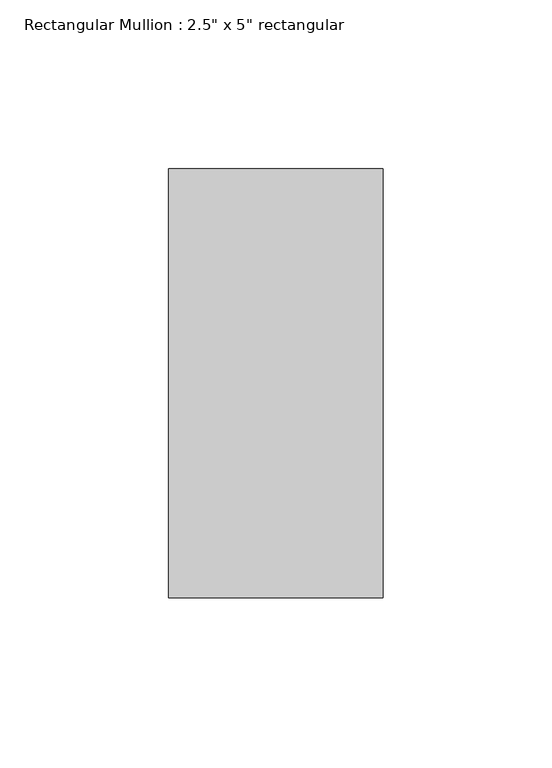
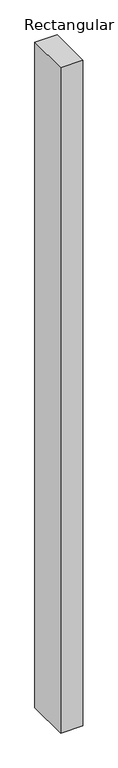
"""IFC4 building model written with IfcOpenShell, lengths in millimetres: member geometry."""

import ifcopenshell
import ifcopenshell.guid

model = None  # the IFC model being written
_history = None  # IfcOwnerHistory: only IFC2X3 demands one
_inside = {}  # id of a spatial element -> (the spatial element, [elements in it])
_under = {}  # id of a project, library or spatial element -> (it, [spatial elements below it])
_declared = {}  # id of a project -> (the project, [libraries it declares])
_typed = {}  # id of a type object -> (the type object, [elements of that type])
_made_of = {}  # id of a material, layer set ... -> (it, [elements and type objects made of it])


def new_model(schema):
    """Start an empty IFC model of exactly this schema.

    Asked for "IFC4X3", IfcOpenShell would pick the latest addendum, in which some entities
    have other attributes; the version numbers below select the first issue.
    IFC2X3 requires an IfcOwnerHistory on every rooted entity: one is made here for all.
    """
    global model, _history
    if schema == "IFC4X3":
        model = ifcopenshell.file(schema_version=(4, 3, 0, 0))
    else:
        model = ifcopenshell.file(schema=schema)
    _inside.clear()
    _under.clear()
    _declared.clear()
    _typed.clear()
    _made_of.clear()
    _history = None
    if model.schema == "IFC2X3":
        org = make("IfcOrganization", Name="unknown")
        user = make(
            "IfcPersonAndOrganization",
            ThePerson=make("IfcPerson", FamilyName="unknown"),
            TheOrganization=org,
        )
        app = make(
            "IfcApplication",
            ApplicationDeveloper=org,
            Version="unknown",
            ApplicationFullName="unknown",
            ApplicationIdentifier="unknown",
        )
        _history = make(
            "IfcOwnerHistory",
            OwningUser=user,
            OwningApplication=app,
            ChangeAction="ADDED",
            CreationDate=0,
        )
    return model


def make(cls, **values):
    """One entity of the class cls with the attributes given. An attribute that is None is left unset."""
    return model.create_entity(
        cls, **{name: value for name, value in values.items() if value is not None}
    )


def rooted(cls, **values):
    """An entity with a GlobalId (a new one), such as an element, a storey or a relation."""
    return make(cls, GlobalId=ifcopenshell.guid.new(), OwnerHistory=_history, **values)


def si_unit(unit_type, name, prefix=None):
    """IfcSIUnit, for example si_unit("LENGTHUNIT", "METRE", prefix="MILLI")."""
    return make("IfcSIUnit", UnitType=unit_type, Prefix=prefix, Name=name)


def assignment(units):
    """IfcUnitAssignment: the units of a project."""
    return None if units is None else make("IfcUnitAssignment", Units=units)


def point(xyz):
    """IfcCartesianPoint."""
    return None if xyz is None else make("IfcCartesianPoint", Coordinates=xyz)


def direction(xyz):
    """IfcDirection."""
    return None if xyz is None else make("IfcDirection", DirectionRatios=xyz)


def frame(location, z_axis=None, x_axis=None):
    """IfcAxis2Placement3D, a coordinate frame: its origin and axes. An axis left out is left unset."""
    return make(
        "IfcAxis2Placement3D",
        Location=point(location),
        Axis=direction(z_axis),
        RefDirection=direction(x_axis),
    )


def origin():
    """The frame at (0, 0, 0) with its axes left unset."""
    return frame((0.0, 0.0, 0.0))


def place(relative_to, where):
    """IfcLocalPlacement: puts the frame where relative to a parent placement (None: the world)."""
    return make(
        "IfcLocalPlacement", PlacementRelTo=relative_to, RelativePlacement=where
    )


def context(
    kind, dimensions, precision=None, world=None, true_north=None, identifier=None
):
    """IfcGeometricRepresentationContext, for example the 3D "Model" context."""
    return make(
        "IfcGeometricRepresentationContext",
        ContextIdentifier=identifier,
        ContextType=kind,
        CoordinateSpaceDimension=dimensions,
        Precision=precision,
        WorldCoordinateSystem=world,
        TrueNorth=true_north,
    )


def project(units=None, contexts=None):
    """IfcProject with its units and contexts."""
    return rooted(
        "IfcProject",
        Name="project",
        RepresentationContexts=contexts,
        UnitsInContext=assignment(units),
    )


def spatial(cls, under=None, at=None, **own):
    """A site, building, storey or space (cls), placed at a placement, below another one or the project."""
    s = rooted(cls, ObjectPlacement=at, **own)
    if under is not None:
        _under.setdefault(under.id(), (under, []))[1].append(s)
    return s


def polyline(points):
    """IfcPolyline through the points."""
    return make("IfcPolyline", Points=[point(p) for p in points])


def outline(outer, holes=None, kind="AREA"):
    """IfcArbitraryClosedProfileDef: a profile drawn as a closed curve; with holes, ...WithVoids."""
    if holes is None:
        return make("IfcArbitraryClosedProfileDef", ProfileType=kind, OuterCurve=outer)
    return make(
        "IfcArbitraryProfileDefWithVoids",
        ProfileType=kind,
        OuterCurve=outer,
        InnerCurves=holes,
    )


def extrude(swept, where, along, depth):
    """IfcExtrudedAreaSolid: the profile swept, set in the frame where, extruded along a direction by depth."""
    return make(
        "IfcExtrudedAreaSolid",
        SweptArea=swept,
        Position=where,
        ExtrudedDirection=direction(along),
        Depth=depth,
    )


def shape(context_of_items, identifier, shape_type, items):
    """IfcShapeRepresentation: the items that make up one representation, for example the "Body"."""
    return make(
        "IfcShapeRepresentation",
        ContextOfItems=context_of_items,
        RepresentationIdentifier=identifier,
        RepresentationType=shape_type,
        Items=items,
    )


def source(mapping_origin, context_of_items, identifier, shape_type, items):
    """IfcRepresentationMap: a shape defined once, which mapped items show again and again."""
    return make(
        "IfcRepresentationMap",
        MappingOrigin=mapping_origin,
        MappedRepresentation=shape(context_of_items, identifier, shape_type, items),
    )


def transform(
    local_origin,
    x_axis=None,
    y_axis=None,
    z_axis=None,
    scale=None,
    scale2=None,
    scale3=None,
    uniform=True,
):
    """IfcCartesianTransformationOperator3D, or its non-uniform kind. x_axis, y_axis, z_axis: its Axis1, 2, 3."""
    if uniform:
        return make(
            "IfcCartesianTransformationOperator3D",
            Axis1=direction(x_axis),
            Axis2=direction(y_axis),
            LocalOrigin=point(local_origin),
            Scale=scale,
            Axis3=direction(z_axis),
        )
    return make(
        "IfcCartesianTransformationOperator3DnonUniform",
        Axis1=direction(x_axis),
        Axis2=direction(y_axis),
        LocalOrigin=point(local_origin),
        Scale=scale,
        Axis3=direction(z_axis),
        Scale2=scale2,
        Scale3=scale3,
    )


def mapped(mapping_source, mapping_target):
    """IfcMappedItem: shows the shape of a source again, moved by a transform."""
    return make(
        "IfcMappedItem", MappingSource=mapping_source, MappingTarget=mapping_target
    )


def made_of(thing, what):
    """Note that an element or type object is made of a material, layer set ...; save() writes the relation."""
    if what is not None:
        _made_of.setdefault(what.id(), (what, []))[1].append(thing)
    return thing


def element(
    cls,
    number,
    at=None,
    inside=None,
    cuts=None,
    type_object=None,
    material=None,
    context=None,
    identifier="Body",
    shape_type=None,
    held_by="IfcProductDefinitionShape",
    body=None,
    shapes=None,
    **own,
):
    """One element of the class cls, such as IfcWall. Its Tag is "e" and its number.

    at: its placement. inside: the storey or other place that contains it. cuts: it is an
    opening in that element (IfcRelVoidsElement). A single representation is given by context,
    identifier, shape_type and body (its items); several are given by shapes. held_by: the class
    of the entity that holds the representations. save() writes the other relations.
    """
    e = rooted(cls, Tag="e%d" % number, ObjectPlacement=at, **own)
    if body is not None:
        shapes = [shape(context, identifier, shape_type, body)]
    if shapes is not None:
        e.Representation = make(held_by, Representations=shapes)
    if inside is not None:
        _inside.setdefault(inside.id(), (inside, []))[1].append(e)
    if cuts is not None:
        rooted(
            "IfcRelVoidsElement", RelatingBuildingElement=cuts, RelatedOpeningElement=e
        )
    if type_object is not None:
        _typed.setdefault(type_object.id(), (type_object, []))[1].append(e)
    return made_of(e, material)


def aggregate(whole, parts):
    """IfcRelAggregates: a whole, such as a stair, and the parts it consists of."""
    return rooted("IfcRelAggregates", RelatingObject=whole, RelatedObjects=parts)


def save(model, path):
    """Write the relations noted so far, then the file.

    IfcRelAggregates (storeys below a building ...), IfcRelContainedInSpatialStructure (elements
    in a storey), IfcRelDefinesByType, IfcRelAssociatesMaterial and IfcRelDeclares: one each for
    every whole, place, type object, material and project.
    """
    for whole, parts in _under.values():
        aggregate(whole, parts)
    for where, things in _inside.values():
        rooted(
            "IfcRelContainedInSpatialStructure",
            RelatedElements=things,
            RelatingStructure=where,
        )
    for kind, things in _typed.values():
        rooted("IfcRelDefinesByType", RelatedObjects=things, RelatingType=kind)
    for what, things in _made_of.values():
        rooted("IfcRelAssociatesMaterial", RelatedObjects=things, RelatingMaterial=what)
    for by, libraries in _declared.values():
        rooted("IfcRelDeclares", RelatingContext=by, RelatedDefinitions=libraries)
    model.write(path)


def member_2a8e97cd(model_context):
    return source(origin(), model_context, "Body", "SweptSolid", [
        extrude(outline(polyline([(0.0, 63.5), (0.0, -63.5), (-63.5, -63.5), (-63.5, 63.5), (0.0, 63.5)])), frame((0.0, 0.0, -2002.3666667), z_axis=(0.0, 0.0, 1.0), x_axis=(1.0, 0.0, 0.0)), (0.0, 0.0, 1.0), 2002.3666667),
    ])


if __name__ == "__main__":
    model = new_model("IFC4")
    model_context = context("Model", 3, world=origin())
    ifc_project = project(units=[si_unit("LENGTHUNIT", "METRE", prefix="MILLI")], contexts=[model_context])
    site = spatial("IfcSite", under=ifc_project)
    building = spatial("IfcBuilding", under=site)
    placement = place(None, origin())
    member_shape = member_2a8e97cd(model_context)
    element("IfcMember", 1, ObjectType="Rectangular Mullion : 2.5\" x 5\" rectangular", at=placement, inside=building, context=model_context, shape_type="MappedRepresentation", body=[
        mapped(member_shape, transform((0.0, 0.0, 0.0), x_axis=(1.0, 0.0, 0.0), y_axis=(0.0, 1.0, 0.0), z_axis=(0.0, 0.0, 1.0))),
    ])
    save(model, "model.ifc")
